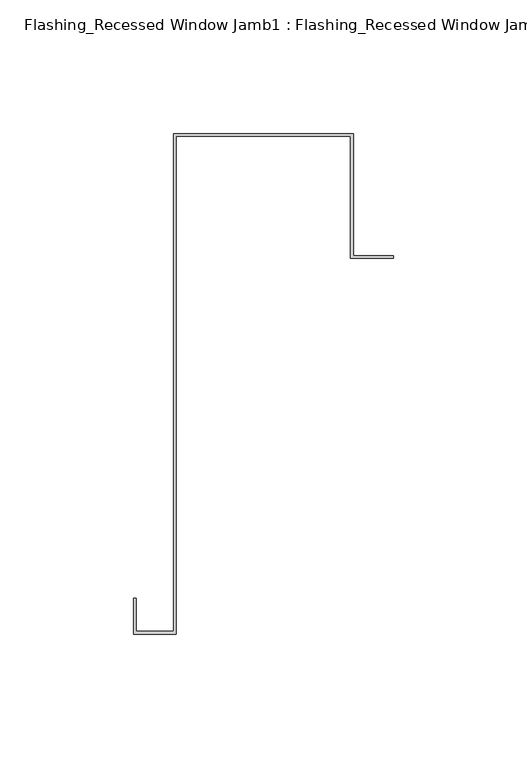
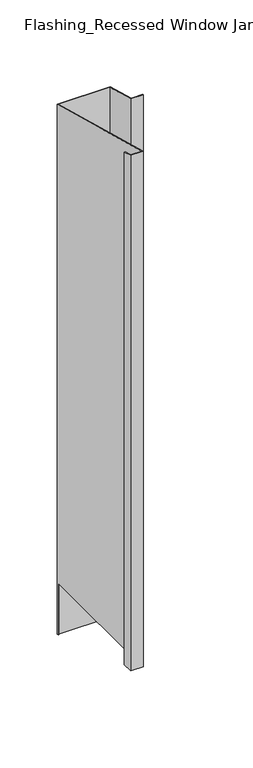
"""IFC4 building model written with IfcOpenShell, lengths in millimetres: proxy geometry, Flashing_Recessed Window Jamb1 : Flashing_Recessed Window Jamb."""

from ifc_helpers import new_model, si_unit, origin, place, context, project, spatial, faceted_brep, source, transform, mapped, element, save


def flashing_recessed_window_jamb1_flashing_recessed_window_jamb_c5576816(model_context):
    return source(origin(), model_context, "Body", "Brep", [
        faceted_brep([(13692.8541786, 611.9865096, -1055.1751138), (13692.8541786, 657.7344915, -1055.1751138), (13627.4791786, 657.7344915, -1055.1751138), (13627.4791786, 656.8026399, -1055.1751138), (13626.4791786, 656.8026399, -1055.1751138), (13626.4791786, 658.7344915, -1055.1751138), (13693.8541786, 658.7344915, -1055.1751138), (13693.8541786, 612.9865096, -1055.1751138), (13708.8541786, 612.9865096, -1055.1751138), (13708.8541786, 611.9865096, -1055.1751138), (13693.8541786, 658.7344915, -343.2151173), (13693.8541786, 612.9865096, -330.9569825), (13626.4791786, 658.7344915, -343.2151173), (13626.4791786, 656.8026399, -985.662203), (13626.4791786, 472.3615096, -985.662203), (13626.4791786, 472.3615096, -293.2766273), (13612.4791786, 472.3615096, -293.2766273), (13612.4791786, 472.3615096, -985.662203), (13612.4791786, 484.6872381, -296.5792963), (13612.4791786, 484.6872381, -985.662203), (13611.4791786, 484.6872381, -296.5792963), (13611.4791786, 484.6872381, -985.662203), (13611.4791786, 471.3615096, -293.0086781), (13611.4791786, 471.3615096, -985.662203), (13627.4791786, 471.3615096, -293.0086781), (13627.4791786, 471.3615096, -985.662203), (13627.4791786, 657.7344915, -342.9471681), (13627.4791786, 656.8026399, -985.662203), (13692.8541786, 657.7344915, -342.9471681), (13692.8541786, 611.9865096, -330.6890333), (13708.8541786, 611.9865096, -330.6890333), (13708.8541786, 612.9865096, -330.9569825)], [[[0, 1, 2, 3, 4, 5, 6, 7, 8, 9]], [[7, 6, 10, 11]], [[6, 5, 12, 10]], [[12, 5, 4, 13, 14, 15]], [[16, 15, 14, 17]], [[18, 16, 17, 19]], [[20, 18, 19, 21]], [[22, 20, 21, 23]], [[24, 22, 23, 25]], [[2, 26, 24, 25, 27, 3]], [[2, 1, 28, 26]], [[1, 0, 29, 28]], [[0, 9, 30, 29]], [[9, 8, 31, 30]], [[8, 7, 11, 31]], [[11, 10, 12, 15, 16, 18, 20, 22, 24, 26, 28, 29, 30, 31]], [[13, 27, 25, 23, 21, 19, 17, 14]], [[27, 13, 4, 3]]]),
    ])


if __name__ == "__main__":
    model = new_model("IFC4")
    model_context = context("Model", 3, world=origin())
    ifc_project = project(units=[si_unit("LENGTHUNIT", "METRE", prefix="MILLI")], contexts=[model_context])
    site = spatial("IfcSite", under=ifc_project)
    building = spatial("IfcBuilding", under=site)
    placement = place(None, origin())
    flashing_recessed_window_jamb1_flashing_recessed_window_jamb_shape = flashing_recessed_window_jamb1_flashing_recessed_window_jamb_c5576816(model_context)
    element("IfcBuildingElementProxy", 1, Name="Flashing_Recessed Window Jamb1 : Flashing_Recessed Window Jamb", ObjectType="Flashing_Recessed Window Jamb1 : Flashing_Recessed Window Jamb", at=placement, inside=building, context=model_context, shape_type="MappedRepresentation", body=[
        mapped(flashing_recessed_window_jamb1_flashing_recessed_window_jamb_shape, transform((0.0, 0.0, 0.0), x_axis=(1.0, 0.0, 0.0), y_axis=(0.0, 1.0, 0.0), z_axis=(0.0, 0.0, 1.0))),
    ])
    save(model, "model.ifc")
